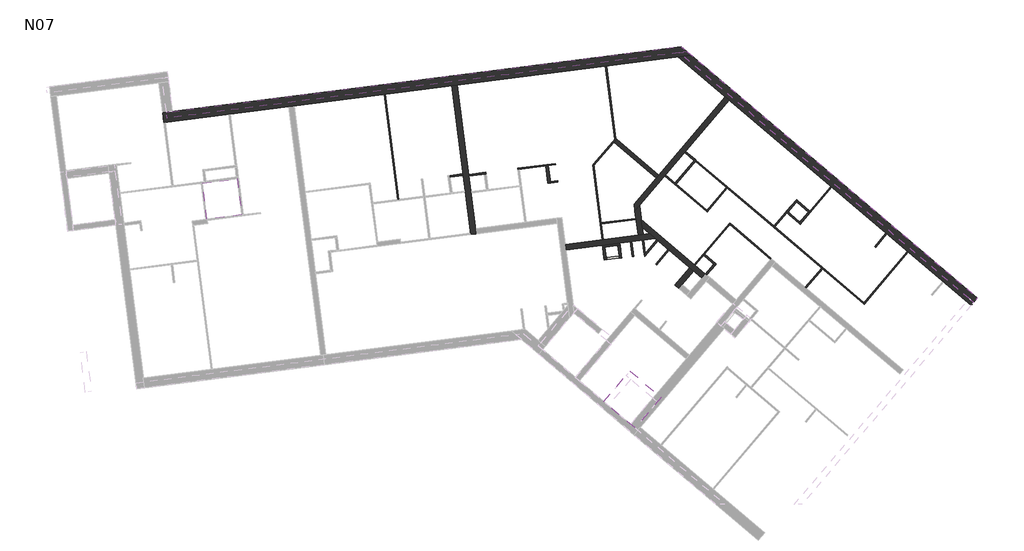
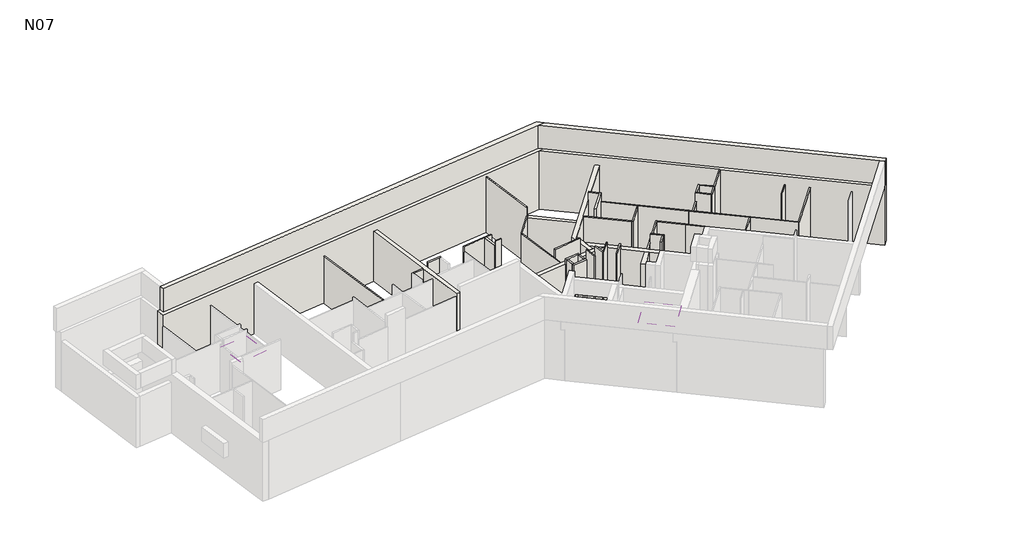
# One storey, part 3 of 3: 49 walls, 1 covering, 1 roof.
"""IFC4 building model written with IfcOpenShell, lengths in millimetres."""

from ifc_helpers import new_model, si_unit, frame, origin, place, context, project, spatial, polyline, outline, extrude, faceted_brep, element, save

model = new_model("IFC4")

# Units and contexts
model_context = context("Model", 3, world=origin())
ifc_project = project(units=[si_unit("LENGTHUNIT", "METRE", prefix="MILLI")], contexts=[model_context])

# Site, building, storey
site = spatial("IfcSite", under=ifc_project)
building = spatial("IfcBuilding", under=site)
storey = spatial("IfcBuildingStorey", under=building, Name="N07", Elevation=19690.0)

# Covering
placement = place(None, origin())
element("IfcCovering", 1, at=placement, inside=storey, context=model_context, shape_type="SweptSolid", body=[
    extrude(outline(polyline([(-5598.5130803, 18363.3918839), (-5770.3389689, 19707.7923171), (-4470.909199, 19873.8705698), (-4299.0833104, 18529.4701366), (-5598.5130803, 18363.3918839)])), frame((0.0, 0.0, 21890.0), z_axis=(0.0, 0.0, 1.0), x_axis=(1.0, 0.0, 0.0)), (0.0, 0.0, 1.0), 200.0),
])

# Roof
element("IfcRoof", 2, ObjectType="TOIT 20", at=placement, inside=storey, context=model_context, shape_type="SweptSolid", body=[
    extrude(outline(polyline([(11341.40307, 11712.4300929), (10370.7908352, 10568.7760299), (9211.9033248, 11552.3167986), (10182.4979801, 12695.9693055), (11341.40307, 11712.4300929)])), frame((0.0, 0.0, 22800.0), z_axis=(0.0, 0.0, 1.0), x_axis=(1.0, 0.0, 0.0)), (0.0, 0.0, 1.0), 200.0),
])

# Walls
element("IfcWall", 3, at=placement, inside=storey, context=model_context, shape_type="Brep", body=[
    faceted_brep([(-7209.209497, 21973.6590063, 22610.0), (-7209.209497, 21973.6590063, 19690.0), (-2547.1328334, 22569.5123292, 19690.0), (-2348.7465924, 22594.8677898, 19690.0), (3538.3651094, 23347.2910817, 19690.0), (3736.7513504, 23372.6465422, 19690.0), (11973.0194842, 24425.3121439, 19690.0), (12469.9871325, 24488.8288653, 19690.0), (12469.9871325, 24488.8288653, 22610.0), (11973.0194842, 24425.3121439, 22610.0), (-7256.1170991, 22340.6735521, 19690.0), (-7256.1170991, 22340.6735521, 22610.0), (-7107.3274183, 22359.6901476, 22610.0), (-6889.1025532, 22387.5811542, 22610.0), (12088.001679, 24813.0175922, 22610.0), (12088.001679, 24813.0175922, 19690.0), (-6889.1025532, 22387.5811542, 19690.0), (12315.1281648, 24620.2567276, 22610.0)], [[[0, 1, 2, 3, 4, 5, 6, 7, 8, 9]], [[10, 11, 12, 13, 14, 15, 16]], [[7, 6, 5, 4, 3, 2, 1, 10, 16, 15]], [[0, 9, 8, 17, 14, 13, 12, 11]], [[8, 7, 15, 14, 17]], [[0, 11, 10, 1]]]),
])
element("IfcWall", 4, at=placement, inside=storey, context=model_context, shape_type="Brep", body=[
    faceted_brep([(11973.0194842, 24425.3121439, 19690.0), (13732.0150371, 22932.4633361, 19690.0), (13884.5011365, 22803.0493127, 19690.0), (17671.8538608, 19588.7461327, 19690.0), (17709.9753857, 19556.3926268, 19690.0), (22907.3125202, 15145.4442693, 19690.0), (22907.3125202, 15145.4442693, 22610.0), (22625.2132362, 15384.8602127, 22610.0), (17709.9753857, 19556.3926268, 22610.0), (17671.8538608, 19588.7461327, 22610.0), (11973.0194842, 24425.3121439, 22610.0), (12469.9871325, 24488.8288653, 19690.0), (12469.9871325, 24488.8288653, 22610.0), (23146.7284636, 15427.5435533, 22610.0), (23146.7284636, 15427.5435533, 19690.0), (23004.3730378, 15259.8088439, 22610.0)], [[[0, 1, 2, 3, 4, 5, 6, 7, 8, 9, 10]], [[11, 12, 13, 14]], [[5, 4, 3, 2, 1, 0, 11, 14]], [[10, 9, 8, 7, 6, 15, 13, 12]], [[6, 5, 14, 13, 15]], [[0, 10, 12, 11]]]),
])
element("IfcWall", 5, at=placement, inside=storey, context=model_context, shape_type="Brep", body=[
    faceted_brep([(10925.0598005, 17823.6656693, 19690.0), (10682.0798426, 17792.6107499, 19690.0), (10483.6936016, 17767.2552893, 19690.0), (9194.183035, 17602.4447957, 19690.0), (9144.5864748, 17596.1059306, 19690.0), (7775.7214118, 17421.1532528, 19690.0), (7775.7214118, 17421.1532528, 22190.0), (10483.6936016, 17767.2552893, 22190.0), (10682.0798426, 17792.6107499, 22190.0), (10925.0598005, 17823.6656693, 22190.0), (11131.5384241, 17648.4285197, 19690.0), (11131.5384241, 17648.4285197, 22190.0), (7801.0768724, 17222.7670118, 22190.0), (7801.0768724, 17222.7670118, 19690.0), (10201.5503886, 17529.5680845, 19690.0), (10251.1469488, 17535.9069496, 19690.0), (10647.9194308, 17586.6178707, 19690.0), (10697.5159911, 17592.9567358, 19690.0)], [[[0, 1, 2, 3, 4, 5, 6, 7, 8, 9]], [[10, 11, 12, 13, 14, 15, 16, 17]], [[5, 4, 3, 2, 1, 0, 10, 17, 16, 15, 14, 13]], [[9, 8, 7, 6, 12, 11]], [[6, 5, 13, 12]], [[0, 9, 11, 10]]]),
])
element("IfcWall", 6, at=placement, inside=storey, context=model_context, shape_type="Brep", body=[
    faceted_brep([(-7079.4364117, 22141.4652824, 22610.0), (12019.6338875, 24582.4900284, 22610.0), (12315.1281648, 24620.2567276, 22610.0), (12315.1281648, 24620.2567276, 23770.0), (12019.6338875, 24582.4900284, 23770.0), (-7079.4364117, 22141.4652824, 23770.0), (-7107.3274183, 22359.6901476, 22610.0), (-7107.3274183, 22359.6901476, 23770.0), (-6889.1025532, 22387.5811542, 23770.0), (12088.001679, 24813.0175922, 23770.0), (12088.001679, 24813.0175922, 22610.0), (-6889.1025532, 22387.5811542, 22610.0)], [[[0, 1, 2, 3, 4, 5]], [[6, 7, 8, 9, 10, 11]], [[2, 1, 0, 6, 11, 10]], [[5, 4, 3, 9, 8, 7]], [[3, 2, 10, 9]], [[0, 5, 7, 6]]]),
])
element("IfcWall", 7, at=placement, inside=storey, context=model_context, shape_type="Brep", body=[
    faceted_brep([(12019.6338875, 24582.4900284, 22610.0), (22836.6383284, 15402.1642697, 22610.0), (23004.3730378, 15259.8088439, 22610.0), (23004.3730378, 15259.8088439, 23770.0), (22836.6383284, 15402.1642697, 23770.0), (12019.6338875, 24582.4900284, 23770.0), (12315.1281648, 24620.2567276, 22610.0), (12315.1281648, 24620.2567276, 23770.0), (23146.7284636, 15427.5435533, 23770.0), (23146.7284636, 15427.5435533, 22610.0), (12469.9871325, 24488.8288653, 22610.0)], [[[0, 1, 2, 3, 4, 5]], [[6, 7, 8, 9, 10]], [[2, 1, 0, 6, 10, 9]], [[5, 4, 3, 8, 7]], [[0, 5, 7, 6]], [[3, 2, 9, 8]]]),
])
element("IfcWall", 8, at=placement, inside=storey, context=model_context, shape_type="Brep", body=[
    faceted_brep([(10369.4265992, 18661.3033791, 19690.0), (10544.6637489, 18867.7820026, 19690.0), (11482.9651028, 19973.3647651, 19690.0), (11515.3186087, 20011.4862899, 19690.0), (12221.8697408, 20844.0021434, 19690.0), (12267.1646491, 20897.3722782, 19690.0), (13884.5011365, 22803.0493127, 19690.0), (13884.5011365, 22803.0493127, 22190.0), (11515.3186087, 20011.4862899, 22190.0), (11482.9651028, 19973.3647651, 22190.0), (10544.6637489, 18867.7820026, 22190.0), (10369.4265992, 18661.3033791, 22190.0), (10335.0932363, 18929.9345403, 19690.0), (10335.0932363, 18929.9345403, 22190.0), (13732.0150371, 22932.4633361, 22190.0), (13732.0150371, 22932.4633361, 19690.0), (11260.2071886, 20019.9788365, 19690.0), (11156.6759698, 19897.989957, 19690.0)], [[[0, 1, 2, 3, 4, 5, 6, 7, 8, 9, 10, 11]], [[12, 13, 14, 15, 16, 17]], [[6, 5, 4, 3, 2, 1, 0, 12, 17, 16, 15]], [[11, 10, 9, 8, 7, 14, 13]], [[7, 6, 15, 14]], [[0, 11, 13, 12]]]),
])
element("IfcWall", 9, at=placement, inside=storey, context=model_context, shape_type="SweptSolid", body=[
    extrude(outline(polyline([(9210.9564166, 16919.0571651), (9160.2454955, 17315.8296471), (9239.5999919, 17325.9718314), (9290.310913, 16929.1993494), (9210.9564166, 16919.0571651)])), frame((0.0, 0.0, 19690.0), z_axis=(0.0, 0.0, 1.0), x_axis=(1.0, 0.0, 0.0)), (0.0, 0.0, 1.0), 2770.0),
])
element("IfcWall", 10, at=placement, inside=storey, context=model_context, shape_type="Brep", body=[
    faceted_brep([(9221.0986008, 16839.7026687, 19690.0), (9875.7731961, 16923.3756885, 19690.0), (9875.7731961, 16923.3756885, 22460.0), (9221.0986008, 16839.7026687, 22460.0), (9330.2110333, 16853.648172, 21190.0), (9776.5800756, 16910.6979583, 21190.0), (9776.5800756, 16910.6979583, 20190.0), (9330.2110333, 16853.648172, 20190.0), (9865.6310119, 17002.730185, 19690.0), (9786.2765155, 16992.5880007, 19690.0), (9290.310913, 16929.1993494, 19690.0), (9210.9564166, 16919.0571651, 19690.0), (9210.9564166, 16919.0571651, 22460.0), (9290.310913, 16929.1993494, 22460.0), (9786.2765155, 16992.5880007, 22460.0), (9865.6310119, 17002.730185, 22460.0), (9766.4378914, 16990.0524547, 21190.0), (9320.0688491, 16933.0026684, 21190.0), (9320.0688491, 16933.0026684, 20190.0), (9766.4378914, 16990.0524547, 20190.0)], [[[0, 1, 2, 3], [4, 5, 6, 7]], [[8, 9, 10, 11, 12, 13, 14, 15], [16, 17, 18, 19]], [[1, 0, 11, 10, 9, 8]], [[3, 2, 15, 14, 13, 12]], [[4, 17, 16, 5]], [[6, 19, 18, 7]], [[17, 4, 7, 18]], [[5, 16, 19, 6]], [[2, 1, 8, 15]], [[0, 3, 12, 11]]]),
])
element("IfcWall", 11, at=placement, inside=storey, context=model_context, shape_type="SweptSolid", body=[
    extrude(outline(polyline([(9814.9200908, 17399.502667), (9865.6310119, 17002.730185), (9786.2765155, 16992.5880007), (9735.5655944, 17389.3604827), (9814.9200908, 17399.502667)])), frame((0.0, 0.0, 19690.0), z_axis=(0.0, 0.0, 1.0), x_axis=(1.0, 0.0, 0.0)), (0.0, 0.0, 1.0), 2770.0),
])
element("IfcWall", 12, at=placement, inside=storey, context=model_context, shape_type="Brep", body=[
    faceted_brep([(9804.7779066, 17478.8571634, 19690.0), (9150.1033112, 17395.1841435, 19690.0), (9150.1033112, 17395.1841435, 22460.0), (9804.7779066, 17478.8571634, 22460.0), (9814.9200908, 17399.502667, 19690.0), (9814.9200908, 17399.502667, 22460.0), (9735.5655944, 17389.3604827, 22460.0), (9239.5999919, 17325.9718314, 22460.0), (9160.2454955, 17315.8296471, 22460.0), (9160.2454955, 17315.8296471, 19690.0), (9239.5999919, 17325.9718314, 19690.0), (9735.5655944, 17389.3604827, 19690.0)], [[[0, 1, 2, 3]], [[4, 5, 6, 7, 8, 9, 10, 11]], [[1, 0, 4, 11, 10, 9]], [[3, 2, 8, 7, 6, 5]], [[0, 3, 5, 4]], [[2, 1, 9, 8]]]),
])
element("IfcWall", 13, at=placement, inside=storey, context=model_context, shape_type="Brep", body=[
    faceted_brep([(3538.3651094, 23347.2910817, 19690.0), (3957.9979815, 20063.998793, 19690.0), (3966.8723927, 19994.5636087, 19690.0), (4248.3180049, 17792.4763335, 19690.0), (4248.3180049, 17792.4763335, 22190.0), (3966.8723927, 19994.5636087, 22190.0), (3957.9979815, 20063.998793, 22190.0), (3538.3651094, 23347.2910817, 22190.0), (3736.7513504, 23372.6465422, 19690.0), (3736.7513504, 23372.6465422, 22190.0), (4245.7195776, 19390.3764045, 22190.0), (4252.0584428, 19340.7798442, 22190.0), (4446.7042459, 17817.8317941, 22190.0), (4446.7042459, 17817.8317941, 19690.0), (4421.3487853, 18016.2180351, 19690.0), (4252.0584428, 19340.7798442, 19690.0), (4245.7195776, 19390.3764045, 19690.0), (4172.188742, 19965.6965034, 19690.0), (4163.3143308, 20035.1316877, 19690.0)], [[[0, 1, 2, 3, 4, 5, 6, 7]], [[8, 9, 10, 11, 12, 13, 14, 15, 16, 17, 18]], [[3, 2, 1, 0, 8, 18, 17, 16, 15, 14, 13]], [[7, 6, 5, 4, 12, 11, 10, 9]], [[0, 7, 9, 8]], [[4, 3, 13, 12]]]),
])
element("IfcWall", 14, at=placement, inside=storey, context=model_context, shape_type="Brep", body=[
    faceted_brep([(12000.6753302, 15769.7097053, 19690.0), (12130.0893537, 15922.1958047, 19690.0), (12563.6263324, 16433.0242379, 19690.0), (12563.6263324, 16433.0242379, 22190.0), (12130.0893537, 15922.1958047, 22190.0), (12000.6753302, 15769.7097053, 22190.0), (11848.1892308, 15899.1237288, 19690.0), (11848.1892308, 15899.1237288, 22190.0), (12411.1402329, 16562.4382614, 22190.0), (12411.1402329, 16562.4382614, 19690.0)], [[[0, 1, 2, 3, 4, 5]], [[6, 7, 8, 9]], [[2, 1, 0, 6, 9]], [[5, 4, 3, 8, 7]], [[0, 5, 7, 6]], [[3, 2, 9, 8]]]),
])
element("IfcWall", 15, at=placement, inside=storey, context=model_context, shape_type="Brep", body=[
    faceted_brep([(12998.0125548, 16326.6822904, 19690.0), (12621.7941056, 16645.9765959, 19690.0), (12583.6725807, 16678.3301017, 19690.0), (10610.4593202, 18352.9841727, 19690.0), (10610.4593202, 18352.9841727, 22190.0), (12583.6725807, 16678.3301017, 22190.0), (12621.7941056, 16645.9765959, 22190.0), (12998.0125548, 16326.6822904, 22190.0), (12868.5985313, 16174.196191, 19690.0), (12868.5985313, 16174.196191, 22190.0), (12563.6263324, 16433.0242379, 22190.0), (12411.1402329, 16562.4382614, 22190.0), (11131.5384241, 17648.4285197, 22190.0), (10925.0598005, 17823.6656693, 22190.0), (10648.0650394, 18058.7494353, 22190.0), (10648.0650394, 18058.7494353, 19690.0), (10925.0598005, 17823.6656693, 19690.0), (11131.5384241, 17648.4285197, 19690.0), (11191.2514373, 17597.7504492, 19690.0), (11229.3729621, 17565.3969433, 19690.0), (11610.5882108, 17241.8618846, 19690.0), (11648.7097356, 17209.5083788, 19690.0), (12411.1402329, 16562.4382614, 19690.0), (12563.6263324, 16433.0242379, 19690.0)], [[[0, 1, 2, 3, 4, 5, 6, 7]], [[8, 9, 10, 11, 12, 13, 14, 15, 16, 17, 18, 19, 20, 21, 22, 23]], [[3, 2, 1, 0, 8, 23, 22, 21, 20, 19, 18, 17, 16, 15]], [[7, 6, 5, 4, 14, 13, 12, 11, 10, 9]], [[0, 7, 9, 8]], [[4, 3, 15, 14]]]),
])
element("IfcWall", 16, at=placement, inside=storey, context=model_context, shape_type="Brep", body=[
    faceted_brep([(10682.0798426, 17792.6107499, 19690.0), (10648.0650394, 18058.7494353, 19690.0), (10610.4593202, 18352.9841727, 19690.0), (10544.6637489, 18867.7820026, 19690.0), (10544.6637489, 18867.7820026, 22190.0), (10610.4593202, 18352.9841727, 22190.0), (10648.0650394, 18058.7494353, 22190.0), (10682.0798426, 17792.6107499, 22190.0), (10483.6936016, 17767.2552893, 19690.0), (10483.6936016, 17767.2552893, 22190.0), (10369.4265992, 18661.3033791, 22190.0), (10369.4265992, 18661.3033791, 19690.0), (10403.1238821, 18397.6490361, 19690.0), (10409.4627473, 18348.0524758, 19690.0)], [[[0, 1, 2, 3, 4, 5, 6, 7]], [[8, 9, 10, 11, 12, 13]], [[3, 2, 1, 0, 8, 13, 12, 11]], [[7, 6, 5, 4, 10, 9]], [[0, 7, 9, 8]], [[4, 3, 11, 10]]]),
])
element("IfcWall", 17, ObjectType="CLO 10", at=placement, inside=storey, context=model_context, shape_type="Brep", body=[
    faceted_brep([(7038.1854942, 20352.1581209, 19690.0), (7120.590741, 19707.4028376, 19690.0), (7120.590741, 19707.4028376, 22460.0), (7038.1854942, 20352.1581209, 22460.0), (7137.3786147, 20364.8358512, 19690.0), (7137.3786147, 20364.8358512, 22460.0), (7219.7838615, 19720.0805679, 22460.0), (7219.7838615, 19720.0805679, 19840.0), (7219.7838615, 19720.0805679, 19690.0), (7213.4449964, 19769.6771281, 19690.0)], [[[0, 1, 2, 3]], [[4, 5, 6, 7, 8, 9]], [[1, 0, 4, 9, 8]], [[3, 2, 6, 5]], [[0, 3, 5, 4]], [[1, 8, 7, 6, 2]]]),
])
element("IfcWall", 18, ObjectType="CLO 5", at=placement, inside=storey, context=model_context, shape_type="Brep", body=[
    faceted_brep([(9194.183035, 17602.4447957, 19690.0), (9119.9521807, 18183.2419823, 19690.0), (9113.6133156, 18232.8385425, 19690.0), (8840.8885683, 20366.6920112, 19690.0), (8832.3052276, 20433.8498015, 19690.0), (8832.3052276, 20433.8498015, 22040.0), (8840.8885683, 20366.6920112, 22040.0), (9194.183035, 17602.4447957, 22040.0), (9144.5864748, 17596.1059306, 19690.0), (9144.5864748, 17596.1059306, 22040.0), (8788.4959401, 20382.2301456, 22040.0), (8788.4959401, 20382.2301456, 19690.0)], [[[0, 1, 2, 3, 4, 5, 6, 7]], [[8, 9, 10, 11]], [[4, 3, 2, 1, 0, 8, 11]], [[7, 6, 5, 10, 9]], [[5, 4, 11, 10]], [[0, 7, 9, 8]]]),
])
element("IfcWall", 19, ObjectType="CLO 5", at=placement, inside=storey, context=model_context, shape_type="Brep", body=[
    faceted_brep([(9658.2348946, 21379.5629613, 19690.0), (9312.4229867, 24085.2651266, 19690.0), (9312.4229867, 24085.2651266, 22460.0), (9658.2348946, 21379.5629613, 22460.0), (9611.3748748, 21351.8128516, 19690.0), (9611.3748748, 21351.8128516, 22460.0), (9262.8264264, 24078.9262614, 22460.0), (9262.8264264, 24078.9262614, 19690.0), (9644.6855582, 21391.0622006, 19690.0), (9644.6855582, 21391.0622006, 22460.0), (9644.6855582, 21391.0622006, 22040.0)], [[[0, 1, 2, 3]], [[4, 5, 6, 7]], [[1, 0, 8, 4, 7]], [[2, 1, 7, 6]], [[3, 2, 6, 5, 9]], [[0, 3, 9, 10, 8]], [[9, 5, 4, 8, 10]]]),
])
element("IfcWall", 20, ObjectType="CLO 5", at=placement, inside=storey, context=model_context, shape_type="Brep", body=[
    faceted_brep([(8840.8885683, 20366.6920112, 19690.0), (9579.2758642, 21236.7198151, 19690.0), (9682.807083, 21358.7086947, 19690.0), (9682.807083, 21358.7086947, 22040.0), (9579.2758642, 21236.7198151, 22040.0), (8840.8885683, 20366.6920112, 22040.0), (8832.3052276, 20433.8498015, 19690.0), (8832.3052276, 20433.8498015, 22040.0), (9644.6855582, 21391.0622006, 22040.0), (9644.6855582, 21391.0622006, 19690.0), (9611.3748748, 21351.8128516, 19690.0), (9658.2348946, 21379.5629613, 19690.0)], [[[0, 1, 2, 3, 4, 5]], [[6, 7, 8, 9, 10]], [[2, 1, 0, 6, 10, 9, 11]], [[5, 4, 3, 8, 7]], [[0, 5, 7, 6]], [[3, 2, 11, 9, 8]]]),
])
element("IfcWall", 21, ObjectType="CLO 5", at=placement, inside=storey, context=model_context, shape_type="SweptSolid", body=[
    extrude(outline(polyline([(1510.9786555, 19095.9613877), (1008.9405366, 23024.0089596), (1058.5370969, 23030.3478248), (1560.5752158, 19102.3002529), (1510.9786555, 19095.9613877)])), frame((0.0, 0.0, 19690.0), z_axis=(0.0, 0.0, 1.0), x_axis=(1.0, 0.0, 0.0)), (0.0, 0.0, 1.0), 2350.0),
])
element("IfcWall", 22, ObjectType="CLO 5", at=placement, inside=storey, context=model_context, shape_type="SweptSolid", body=[
    extrude(outline(polyline([(10251.1469488, 17535.9069496), (10322.1422384, 16980.4254748), (10272.5456781, 16974.0866097), (10201.5503886, 17529.5680845), (10251.1469488, 17535.9069496)])), frame((0.0, 0.0, 19690.0), z_axis=(0.0, 0.0, 1.0), x_axis=(1.0, 0.0, 0.0)), (0.0, 0.0, 1.0), 2770.0),
])
element("IfcWall", 23, ObjectType="CLO 5", at=placement, inside=storey, context=model_context, shape_type="Brep", body=[
    faceted_brep([(11191.2514373, 17597.7504492, 19690.0), (10761.6055806, 17091.5068516, 19690.0), (10717.7962932, 17039.8871957, 19690.0), (10717.7962932, 17039.8871957, 22460.0), (10761.6055806, 17091.5068516, 22460.0), (11191.2514373, 17597.7504492, 22460.0), (11229.3729621, 17565.3969433, 19690.0), (11229.3729621, 17565.3969433, 22460.0), (10726.3796339, 16972.7294054, 22460.0), (10726.3796339, 16972.7294054, 19690.0)], [[[0, 1, 2, 3, 4, 5]], [[6, 7, 8, 9]], [[2, 1, 0, 6, 9]], [[5, 4, 3, 8, 7]], [[0, 5, 7, 6]], [[3, 2, 9, 8]]]),
])
element("IfcWall", 24, ObjectType="CLO 5", at=placement, inside=storey, context=model_context, shape_type="SweptSolid", body=[
    extrude(outline(polyline([(11142.841508, 16690.7247797), (11610.5882108, 17241.8618846), (11648.7097356, 17209.5083788), (11180.9630329, 16658.3712739), (11142.841508, 16690.7247797)])), frame((0.0, 0.0, 19690.0), z_axis=(0.0, 0.0, 1.0), x_axis=(1.0, 0.0, 0.0)), (0.0, 0.0, 1.0), 2770.0),
])
element("IfcWall", 25, ObjectType="CLO 5", at=placement, inside=storey, context=model_context, shape_type="SweptSolid", body=[
    extrude(outline(polyline([(10697.5159911, 17592.9567358), (10761.6055806, 17091.5068516), (10717.7962932, 17039.8871957), (10647.9194308, 17586.6178707), (10697.5159911, 17592.9567358)])), frame((0.0, 0.0, 19690.0), z_axis=(0.0, 0.0, 1.0), x_axis=(1.0, 0.0, 0.0)), (0.0, 0.0, 1.0), 2770.0),
])
element("IfcWall", 26, ObjectType="CLO 5", at=placement, inside=storey, context=model_context, shape_type="Brep", body=[
    faceted_brep([(13062.2113445, 18633.0681025, 19690.0), (13814.0573848, 19518.9540908, 19690.0), (13814.0573848, 19518.9540908, 22190.0), (13062.2113445, 18633.0681025, 22190.0), (13024.0898196, 18665.4216083, 19690.0), (13024.0898196, 18665.4216083, 22190.0), (13056.4433255, 18703.5431332, 22190.0), (13775.93586, 19551.3075966, 22190.0), (13775.93586, 19551.3075966, 19690.0), (13056.4433255, 18703.5431332, 19690.0)], [[[0, 1, 2, 3]], [[4, 5, 6, 7, 8, 9]], [[1, 0, 4, 9, 8]], [[3, 2, 7, 6, 5]], [[0, 3, 5, 4]], [[2, 1, 8, 7]]]),
])
element("IfcWall", 27, ObjectType="CLO 5", at=placement, inside=storey, context=model_context, shape_type="SweptSolid", body=[
    extrude(outline(polyline([(14833.3171754, 17434.1312013), (15458.5101832, 16903.533705), (15426.1566773, 16865.4121802), (14800.9636695, 17396.0096764), (14833.3171754, 17434.1312013)])), frame((0.0, 0.0, 19690.0), z_axis=(0.0, 0.0, 1.0), x_axis=(1.0, 0.0, 0.0)), (0.0, 0.0, 1.0), 2500.0),
])
element("IfcWall", 28, ObjectType="CLO 5", at=placement, inside=storey, context=model_context, shape_type="Brep", body=[
    faceted_brep([(13898.4696232, 18227.5306226, 19690.0), (12583.6725807, 16678.3301017, 19690.0), (12583.6725807, 16678.3301017, 22190.0), (13898.4696232, 18227.5306226, 22190.0), (13936.5911481, 18195.1771168, 19690.0), (13936.5911481, 18195.1771168, 22190.0), (13904.2376422, 18157.0555919, 22190.0), (12621.7941056, 16645.9765959, 22190.0), (12621.7941056, 16645.9765959, 19690.0), (12929.1524113, 17008.1310821, 19690.0), (12974.4473196, 17061.5012169, 19690.0), (13904.2376422, 18157.0555919, 19690.0)], [[[0, 1, 2, 3]], [[4, 5, 6, 7, 8, 9, 10, 11]], [[1, 0, 4, 11, 10, 9, 8]], [[3, 2, 7, 6, 5]], [[0, 3, 5, 4]], [[2, 1, 8, 7]]]),
])
element("IfcWall", 29, ObjectType="CLO 5", at=placement, inside=storey, context=model_context, shape_type="Brep", body=[
    faceted_brep([(11482.9651028, 19973.3647651, 19690.0), (13024.0898196, 18665.4216083, 19690.0), (13024.0898196, 18665.4216083, 22190.0), (11482.9651028, 19973.3647651, 22190.0), (11515.3186087, 20011.4862899, 19690.0), (11515.3186087, 20011.4862899, 22190.0), (13056.4433255, 18703.5431332, 22190.0), (13056.4433255, 18703.5431332, 19690.0), (11911.7824673, 19675.0098289, 19690.0), (11858.4123325, 19720.3047371, 19690.0)], [[[0, 1, 2, 3]], [[4, 5, 6, 7, 8, 9]], [[1, 0, 4, 9, 8, 7]], [[3, 2, 6, 5]], [[2, 1, 7, 6]], [[0, 3, 5, 4]]]),
])
element("IfcWall", 30, ObjectType="CLO 5", at=placement, inside=storey, context=model_context, shape_type="SweptSolid", body=[
    extrude(outline(polyline([(16729.2089431, 15825.0994101), (17330.9841523, 16534.1597726), (17369.1056772, 16501.8062667), (16767.330468, 15792.7459043), (16729.2089431, 15825.0994101)])), frame((0.0, 0.0, 19690.0), z_axis=(0.0, 0.0, 1.0), x_axis=(1.0, 0.0, 0.0)), (0.0, 0.0, 1.0), 2500.0),
])
element("IfcWall", 31, ObjectType="CLO 5", at=placement, inside=storey, context=model_context, shape_type="SweptSolid", body=[
    extrude(outline(polyline([(13936.5911481, 18195.1771168), (14833.3171754, 17434.1312013), (14800.9636695, 17396.0096764), (13904.2376422, 18157.0555919), (13936.5911481, 18195.1771168)])), frame((0.0, 0.0, 19690.0), z_axis=(0.0, 0.0, 1.0), x_axis=(1.0, 0.0, 0.0)), (0.0, 0.0, 1.0), 2500.0),
])
element("IfcWall", 32, ObjectType="CLO 5", at=placement, inside=storey, context=model_context, shape_type="Brep", body=[
    faceted_brep([(18916.9609002, 15188.1509703, 19690.0), (20566.6508935, 17131.9495297, 19690.0), (20566.6508935, 17131.9495297, 22190.0), (18916.9609002, 15188.1509703, 22190.0), (18878.8393753, 15220.5044762, 19690.0), (18878.8393753, 15220.5044762, 22190.0), (18911.1928812, 15258.6260011, 22190.0), (20528.5293687, 17164.3030355, 22190.0), (20528.5293687, 17164.3030355, 19690.0), (18911.1928812, 15258.6260011, 19690.0)], [[[0, 1, 2, 3]], [[4, 5, 6, 7, 8, 9]], [[1, 0, 4, 9, 8]], [[2, 1, 8, 7]], [[3, 2, 7, 6, 5]], [[0, 3, 5, 4]]]),
])
element("IfcWall", 33, ObjectType="CLO 5", at=placement, inside=storey, context=model_context, shape_type="Brep", body=[
    faceted_brep([(15416.0316222, 18159.3683167, 19690.0), (17330.9841523, 16534.1597726, 19690.0), (17369.1056772, 16501.8062667, 19690.0), (18878.8393753, 15220.5044762, 19690.0), (18878.8393753, 15220.5044762, 22190.0), (17369.1056772, 16501.8062667, 22190.0), (17330.9841523, 16534.1597726, 22190.0), (15416.0316222, 18159.3683167, 22190.0), (15448.385128, 18197.4898416, 19690.0), (15448.385128, 18197.4898416, 22190.0), (15555.2651084, 18106.7814535, 22190.0), (15593.3866332, 18074.4279476, 22190.0), (18911.1928812, 15258.6260011, 22190.0), (18911.1928812, 15258.6260011, 19690.0), (15593.3866332, 18074.4279476, 19690.0), (15555.2651084, 18106.7814535, 19690.0)], [[[0, 1, 2, 3, 4, 5, 6, 7]], [[8, 9, 10, 11, 12, 13, 14, 15]], [[3, 2, 1, 0, 8, 15, 14, 13]], [[7, 6, 5, 4, 12, 11, 10, 9]], [[0, 7, 9, 8]], [[4, 3, 13, 12]]]),
])
element("IfcWall", 34, ObjectType="CLO 5", at=placement, inside=storey, context=model_context, shape_type="SweptSolid", body=[
    extrude(outline(polyline([(16033.055507, 18592.481477), (15593.3866332, 18074.4279476), (15555.2651084, 18106.7814535), (15994.9339822, 18624.8349829), (16033.055507, 18592.481477)])), frame((0.0, 0.0, 19690.0), z_axis=(0.0, 0.0, 1.0), x_axis=(1.0, 0.0, 0.0)), (0.0, 0.0, 1.0), 2500.0),
])
element("IfcWall", 35, ObjectType="CLO 5", at=placement, inside=storey, context=model_context, shape_type="Brep", body=[
    faceted_brep([(6004.7259253, 20220.0731376, 19690.0), (6054.3224855, 20226.4120027, 19690.0), (7038.1854942, 20352.1581209, 19690.0), (7137.3786147, 20364.8358512, 19690.0), (7405.2000401, 20399.0657229, 19690.0), (7405.2000401, 20399.0657229, 22460.0), (7137.3786147, 20364.8358512, 22460.0), (7038.1854942, 20352.1581209, 22460.0), (6004.7259253, 20220.0731376, 22460.0), (6004.7259253, 20220.0731376, 22190.0), (5998.3870601, 20269.6696978, 19690.0), (5998.3870601, 20269.6696978, 22460.0), (7398.8611749, 20448.6622832, 22460.0), (7398.8611749, 20448.6622832, 19690.0)], [[[0, 1, 2, 3, 4, 5, 6, 7, 8, 9]], [[10, 11, 12, 13]], [[4, 3, 2, 1, 0, 10, 13]], [[5, 4, 13, 12]], [[8, 7, 6, 5, 12, 11]], [[0, 9, 8, 11, 10]]]),
])
element("IfcWall", 36, ObjectType="CLO 5", at=placement, inside=storey, context=model_context, shape_type="Brep", body=[
    faceted_brep([(7219.7838615, 19720.0805679, 19690.0), (7487.6052869, 19754.3104396, 19690.0), (7487.6052869, 19754.3104396, 22610.0), (7219.7838615, 19720.0805679, 22610.0), (7219.7838615, 19720.0805679, 22460.0), (7213.4449964, 19769.6771281, 19690.0), (7213.4449964, 19769.6771281, 22610.0), (7481.2664217, 19803.9069999, 22610.0), (7481.2664217, 19803.9069999, 19690.0)], [[[0, 1, 2, 3, 4]], [[5, 6, 7, 8]], [[1, 0, 5, 8]], [[2, 1, 8, 7]], [[3, 2, 7, 6]], [[0, 4, 3, 6, 5]]]),
])
element("IfcWall", 37, ObjectType="CLO 5", at=placement, inside=storey, context=model_context, shape_type="Brep", body=[
    faceted_brep([(12631.2750018, 20522.7742923, 19690.0), (13775.93586, 19551.3075966, 19690.0), (13814.0573848, 19518.9540908, 19690.0), (15416.0316222, 18159.3683167, 19690.0), (15416.0316222, 18159.3683167, 21790.0), (15416.0316222, 18159.3683167, 22190.0), (13814.0573848, 19518.9540908, 22190.0), (13775.93586, 19551.3075966, 22190.0), (12631.2750018, 20522.7742923, 22190.0), (12663.6285077, 20560.8958172, 19690.0), (12663.6285077, 20560.8958172, 22190.0), (15448.385128, 18197.4898416, 22190.0), (15448.385128, 18197.4898416, 21790.0), (15448.385128, 18197.4898416, 19690.0)], [[[0, 1, 2, 3, 4, 5, 6, 7, 8]], [[9, 10, 11, 12, 13]], [[3, 2, 1, 0, 9, 13]], [[5, 4, 3, 13, 12, 11]], [[8, 7, 6, 5, 11, 10]], [[0, 8, 10, 9]]]),
])
element("IfcWall", 38, ObjectType="CLO 5", at=placement, inside=storey, context=model_context, shape_type="Brep", body=[
    faceted_brep([(17671.8538608, 19588.7461327, 19690.0), (16895.3697199, 18673.829536, 19690.0), (16850.0748117, 18620.4594012, 19690.0), (16850.0748117, 18620.4594012, 22610.0), (16895.3697199, 18673.829536, 22610.0), (17671.8538608, 19588.7461327, 22610.0), (16888.1963366, 18588.1058953, 19690.0), (17709.9753857, 19556.3926268, 19690.0), (17709.9753857, 19556.3926268, 22610.0), (16888.1963366, 18588.1058953, 22610.0)], [[[0, 1, 2, 3, 4, 5]], [[6, 7, 8, 9]], [[2, 1, 0, 7, 6]], [[5, 4, 3, 9, 8]], [[0, 5, 8, 7]], [[3, 2, 6, 9]]]),
])
element("IfcWall", 39, ObjectType="CLO 5", at=placement, inside=storey, context=model_context, shape_type="SweptSolid", body=[
    extrude(outline(polyline([(10409.4627473, 18348.0524758), (9119.9521807, 18183.2419823), (9113.6133156, 18232.8385425), (10403.1238821, 18397.6490361), (10409.4627473, 18348.0524758)])), frame((0.0, 0.0, 19690.0), z_axis=(0.0, 0.0, 1.0), x_axis=(1.0, 0.0, 0.0)), (0.0, 0.0, 1.0), 2770.0),
])
element("IfcWall", 40, ObjectType="CLO 5", at=placement, inside=storey, context=model_context, shape_type="SweptSolid", body=[
    extrude(outline(polyline([(19766.0988714, 17811.3731529), (19345.5032951, 17315.7933297), (19307.3817702, 17348.1468356), (19727.9773465, 17843.7266588), (19766.0988714, 17811.3731529)])), frame((0.0, 0.0, 19690.0), z_axis=(0.0, 0.0, 1.0), x_axis=(1.0, 0.0, 0.0)), (0.0, 0.0, 1.0), 2500.0),
])
element("IfcWall", 41, ObjectType="CLO 7", at=placement, inside=storey, context=model_context, shape_type="SweptSolid", body=[
    extrude(outline(polyline([(3966.8723927, 19994.5636087), (3470.9067902, 19931.1749573), (3462.032379, 20000.6101416), (3957.9979815, 20063.998793), (3966.8723927, 19994.5636087)])), frame((0.0, 0.0, 19690.0), z_axis=(0.0, 0.0, 1.0), x_axis=(1.0, 0.0, 0.0)), (0.0, 0.0, 1.0), 2500.0),
])
element("IfcWall", 42, ObjectType="CLO 7", at=placement, inside=storey, context=model_context, shape_type="Brep", body=[
    faceted_brep([(11911.7824673, 19675.0098289, 19690.0), (12631.2750018, 20522.7742923, 19690.0), (12663.6285077, 20560.8958172, 19690.0), (12663.6285077, 20560.8958172, 22190.0), (12663.6285077, 20560.8958172, 22610.0), (11911.7824673, 19675.0098289, 22610.0), (11858.4123325, 19720.3047371, 19690.0), (11858.4123325, 19720.3047371, 22610.0), (12564.9634646, 20552.8205906, 22610.0), (12610.2583728, 20606.1907254, 22610.0), (12610.2583728, 20606.1907254, 19690.0), (12564.9634646, 20552.8205906, 19690.0)], [[[0, 1, 2, 3, 4, 5]], [[6, 7, 8, 9, 10, 11]], [[2, 1, 0, 6, 11, 10]], [[5, 4, 9, 8, 7]], [[4, 3, 2, 10, 9]], [[0, 5, 7, 6]]]),
])
element("IfcWall", 43, ObjectType="CLO 7", at=placement, inside=storey, context=model_context, shape_type="SweptSolid", body=[
    extrude(outline(polyline([(12267.1646491, 20897.3722782), (12610.2583728, 20606.1907254), (12564.9634646, 20552.8205906), (12221.8697408, 20844.0021434), (12267.1646491, 20897.3722782)])), frame((0.0, 0.0, 19690.0), z_axis=(0.0, 0.0, 1.0), x_axis=(1.0, 0.0, 0.0)), (0.0, 0.0, 1.0), 2920.0),
])
element("IfcWall", 44, ObjectType="CLO 7", at=placement, inside=storey, context=model_context, shape_type="Brep", body=[
    faceted_brep([(4172.188742, 19965.6965034, 19690.0), (4747.5088409, 20039.227339, 19690.0), (4816.9440253, 20048.1017502, 19690.0), (4816.9440253, 20048.1017502, 22460.0), (4747.5088409, 20039.227339, 22460.0), (4172.188742, 19965.6965034, 22460.0), (4163.3143308, 20035.1316877, 19690.0), (4163.3143308, 20035.1316877, 22460.0), (4808.0696141, 20117.5369345, 22460.0), (4808.0696141, 20117.5369345, 19690.0)], [[[0, 1, 2, 3, 4, 5]], [[6, 7, 8, 9]], [[2, 1, 0, 6, 9]], [[5, 4, 3, 8, 7]], [[3, 2, 9, 8]], [[0, 5, 7, 6]]]),
])
element("IfcWall", 45, ObjectType="CLO 7", at=placement, inside=storey, context=model_context, shape_type="Brep", body=[
    faceted_brep([(12929.1524113, 17008.1310821, 19690.0), (13305.3708605, 16688.8367766, 19690.0), (13358.7409953, 16643.5418684, 19690.0), (13358.7409953, 16643.5418684, 22610.0), (13305.3708605, 16688.8367766, 22610.0), (12929.1524113, 17008.1310821, 22610.0), (12974.4473196, 17061.5012169, 19690.0), (12974.4473196, 17061.5012169, 22610.0), (13404.0359036, 16696.9120032, 22610.0), (13404.0359036, 16696.9120032, 19690.0)], [[[0, 1, 2, 3, 4, 5]], [[6, 7, 8, 9]], [[2, 1, 0, 6, 9]], [[5, 4, 3, 8, 7]], [[0, 5, 7, 6]], [[3, 2, 9, 8]]]),
])
element("IfcWall", 46, ObjectType="CLO 7", at=placement, inside=storey, context=model_context, shape_type="Brep", body=[
    faceted_brep([(13305.3708605, 16688.8367766, 19690.0), (12998.0125548, 16326.6822904, 19690.0), (12998.0125548, 16326.6822904, 22190.0), (12998.0125548, 16326.6822904, 22610.0), (13305.3708605, 16688.8367766, 22610.0), (13358.7409953, 16643.5418684, 19690.0), (13358.7409953, 16643.5418684, 22610.0), (13051.3826896, 16281.3873822, 22610.0), (13051.3826896, 16281.3873822, 19690.0)], [[[0, 1, 2, 3, 4]], [[5, 6, 7, 8]], [[1, 0, 5, 8]], [[4, 3, 7, 6]], [[0, 4, 6, 5]], [[3, 2, 1, 8, 7]]]),
])
element("IfcWall", 47, ObjectType="CLO 7", at=placement, inside=storey, context=model_context, shape_type="Brep", body=[
    faceted_brep([(16895.3697199, 18673.829536, 19690.0), (16449.4875898, 19052.246983, 19690.0), (16449.4875898, 19052.246983, 22610.0), (16895.3697199, 18673.829536, 22610.0), (16404.1926815, 18998.8768482, 19690.0), (16834.8262018, 18633.4008035, 19690.0), (16850.0748117, 18620.4594012, 19690.0), (16850.0748117, 18620.4594012, 22610.0), (16834.8262018, 18633.4008035, 22610.0), (16404.1926815, 18998.8768482, 22610.0)], [[[0, 1, 2, 3]], [[4, 5, 6, 7, 8, 9]], [[1, 0, 6, 5, 4]], [[3, 2, 9, 8, 7]], [[0, 3, 7, 6]], [[2, 1, 4, 9]]]),
])
element("IfcWall", 48, ObjectType="CLO 7", at=placement, inside=storey, context=model_context, shape_type="Brep", body=[
    faceted_brep([(16524.2325454, 18267.4341648, 19690.0), (16093.5990252, 18632.9102095, 19690.0), (16040.2288904, 18678.2051177, 19690.0), (16040.2288904, 18678.2051177, 22610.0), (16093.5990252, 18632.9102095, 22610.0), (16524.2325454, 18267.4341648, 22610.0), (16478.9376372, 18214.06403, 19690.0), (16478.9376372, 18214.06403, 22610.0), (15994.9339822, 18624.8349829, 22610.0), (15994.9339822, 18624.8349829, 22190.0), (15994.9339822, 18624.8349829, 19690.0), (16033.055507, 18592.481477, 19690.0)], [[[0, 1, 2, 3, 4, 5]], [[6, 7, 8, 9, 10, 11]], [[2, 1, 0, 6, 11, 10]], [[5, 4, 3, 8, 7]], [[3, 2, 10, 9, 8]], [[0, 5, 7, 6]]]),
])
element("IfcWall", 49, ObjectType="CLO 7", at=placement, inside=storey, context=model_context, shape_type="Brep", body=[
    faceted_brep([(16093.5990252, 18632.9102095, 22610.0), (16093.5990252, 18632.9102095, 19690.0), (16404.1926815, 18998.8768482, 19690.0), (16449.4875898, 19052.246983, 19690.0), (16449.4875898, 19052.246983, 22610.0), (16404.1926815, 18998.8768482, 22610.0), (16040.2288904, 18678.2051177, 19690.0), (16040.2288904, 18678.2051177, 22610.0), (16396.1174549, 19097.5418912, 22610.0), (16396.1174549, 19097.5418912, 19690.0)], [[[0, 1, 2, 3, 4, 5]], [[6, 7, 8, 9]], [[3, 2, 1, 6, 9]], [[4, 3, 9, 8]], [[0, 5, 4, 8, 7]], [[0, 7, 6, 1]]]),
])
element("IfcWall", 50, ObjectType="CLO 7", at=placement, inside=storey, context=model_context, shape_type="Brep", body=[
    faceted_brep([(16532.307772, 18168.7691218, 19690.0), (16888.1963366, 18588.1058953, 19690.0), (16888.1963366, 18588.1058953, 22610.0), (16532.307772, 18168.7691218, 22610.0), (16834.8262018, 18633.4008035, 19690.0), (16524.2325454, 18267.4341648, 19690.0), (16478.9376372, 18214.06403, 19690.0), (16478.9376372, 18214.06403, 22610.0), (16524.2325454, 18267.4341648, 22610.0), (16834.8262018, 18633.4008035, 22610.0), (16850.0748117, 18620.4594012, 19690.0), (16850.0748117, 18620.4594012, 22610.0)], [[[0, 1, 2, 3]], [[4, 5, 6, 7, 8, 9]], [[1, 0, 6, 5, 4, 10]], [[2, 1, 10, 4, 9, 11]], [[3, 2, 11, 9, 8, 7]], [[0, 3, 7, 6]]]),
])
element("IfcWall", 51, ObjectType="EXT 16 ST", at=placement, inside=storey, context=model_context, shape_type="SweptSolid", body=[
    extrude(outline(polyline([(9682.807083, 21358.7086947), (11260.2071886, 20019.9788365), (11156.6759698, 19897.989957), (9579.2758642, 21236.7198151), (9682.807083, 21358.7086947)])), frame((0.0, 0.0, 19690.0), z_axis=(0.0, 0.0, 1.0), x_axis=(1.0, 0.0, 0.0)), (0.0, 0.0, 1.0), 2350.0),
])

save(model, "model.ifc")
